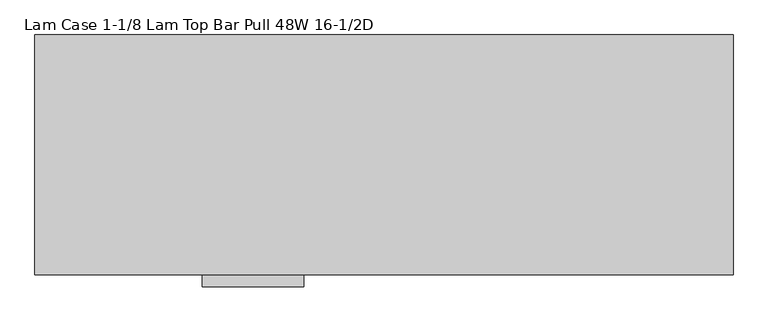
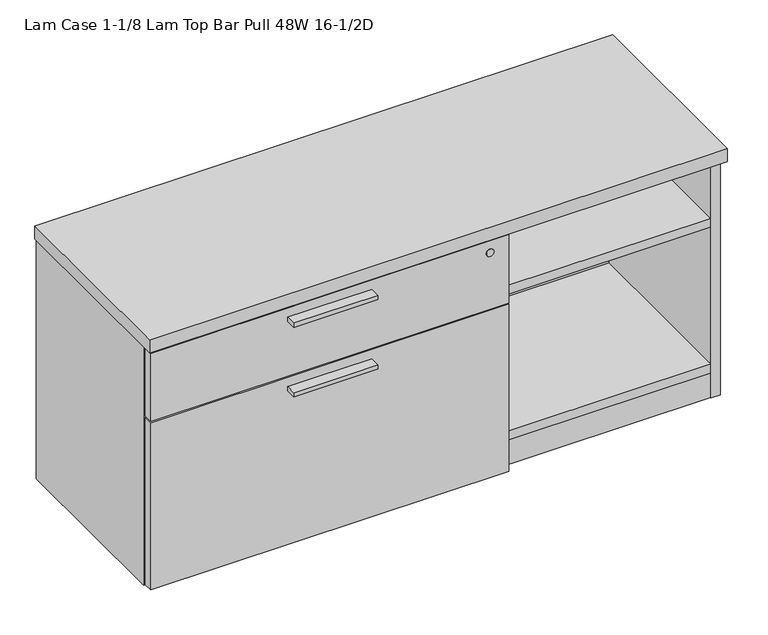
"""IFC4 building model written with IfcOpenShell, lengths in millimetres: furniture geometry, Lam Case 1-1/8 Lam Top Bar Pull 48W 16-1/2D."""

from ifc_helpers import new_model, si_unit, point, frame, frame_2d, origin, origin_with_axes, place, context, project, spatial, polyline, circle_curve, trimmed, segment, composite_curve, outline, extrude, source, transform, mapped, element, save


def lam_case_1_1_8_lam_top_bar_pull_48w_16_1_2d_dfd8d9dc(model_context):
    return source(origin(), model_context, "Body", "SweptSolid", [
        extrude(outline(polyline([(469.8365, -447.8158592), (292.0365, -447.8158592), (292.0365, -425.5908592), (469.8365, -425.5908592), (469.8365, -447.8158592)])), frame((0.0, 0.0, 351.0330729), z_axis=(0.0, 0.0, 1.0), x_axis=(1.0, 0.0, 0.0)), (0.0, 0.0, 1.0), 9.525),
        extrude(outline(polyline([(469.8365, -447.8158592), (292.0365, -447.8158592), (292.0365, -425.5908592), (469.8365, -425.5908592), (469.8365, -447.8158592)])), frame((0.0, 0.0, 506.1508939), z_axis=(0.0, 0.0, 1.0), x_axis=(1.0, 0.0, 0.0)), (0.0, 0.0, 1.0), 9.525),
        extrude(outline(polyline([(1156.8692022, -345.6355984), (1172.81706, -336.4280984), (1188.7649178, -345.6355984), (1188.7649178, -364.0505984), (1172.81706, -373.2580984), (1156.8692022, -364.0505984), (1156.8692022, -345.6355984)])), origin_with_axes(), (0.0, 0.0, 1.0), 9.144),
        extrude(outline(polyline([(1156.8692022, -47.1181713), (1172.81706, -37.9106713), (1188.7649178, -47.1181713), (1188.7649178, -65.5331713), (1172.81706, -74.7406713), (1156.8692022, -65.5331713), (1156.8692022, -47.1181713)])), origin_with_axes(), (0.0, 0.0, 1.0), 9.144),
        extrude(outline(polyline([(30.4350822, -345.6355984), (46.38294, -336.4280984), (62.3307978, -345.6355984), (62.3307978, -364.0505984), (46.38294, -373.2580984), (30.4350822, -364.0505984), (30.4350822, -345.6355984)])), origin_with_axes(), (0.0, 0.0, 1.0), 9.144),
        extrude(outline(polyline([(30.4350822, -47.1181713), (46.38294, -37.9106713), (62.3307978, -47.1181713), (62.3307978, -65.5331713), (46.38294, -74.7406713), (30.4350822, -65.5331713), (30.4350822, -47.1181713)])), origin_with_axes(), (0.0, 0.0, 1.0), 9.144),
        extrude(outline(polyline([(1198.3085154, -401.5878548), (20.8915005, -401.5878548), (20.8915005, -382.2838548), (1198.3085154, -382.2838548), (1198.3085154, -401.5878548)])), frame((0.0, 0.0, 4.699), z_axis=(0.0, 0.0, 1.0), x_axis=(1.0, 0.0, 0.0)), (0.0, 0.0, 1.0), 55.56758),
        extrude(outline(polyline([(1198.3085154, -30.4938704), (1198.3085154, -402.7308447), (20.8915005, -402.7308447), (20.8915005, -30.4938704), (1198.3085154, -30.4938704)])), frame((0.0, 0.0, 520.1843787), z_axis=(0.0, 0.0, 1.0), x_axis=(1.0, 0.0, 0.0)), (0.0, 0.0, 1.0), 19.304),
        extrude(outline(polyline([(760.2855, -30.4938704), (760.2855, -401.5878548), (740.9815, -401.5878548), (740.9815, -30.4938704), (760.2855, -30.4938704)])), frame((0.0, 0.0, 79.57058), z_axis=(0.0, 0.0, 1.0), x_axis=(1.0, 0.0, 0.0)), (0.0, 0.0, 1.0), 440.6137987),
        extrude(outline(polyline([(3.175, -406.2868776), (758.698, -406.2868776), (758.698, -425.5908592), (3.175, -425.5908592), (3.175, -406.2868776)])), frame((0.0, 0.0, 384.3705787), z_axis=(0.0, 0.0, 1.0), x_axis=(1.0, 0.0, 0.0)), (0.0, 0.0, 1.0), 151.9428152),
        extrude(outline(polyline([(3.175, -406.2868776), (758.698, -406.2868776), (758.698, -425.5908592), (3.175, -425.5908592), (3.175, -406.2868776)])), frame((0.0, 0.0, 7.874), z_axis=(0.0, 0.0, 1.0), x_axis=(1.0, 0.0, 0.0)), (0.0, 0.0, 1.0), 373.3215729),
        extrude(outline(polyline([(1198.3085, -30.4938704), (1198.3085, -400.8258374), (760.2855, -400.8258374), (760.2855, -30.4938704), (1198.3085, -30.4938704)])), frame((0.0, 0.0, 384.3705787), z_axis=(0.0, 0.0, 1.0), x_axis=(1.0, 0.0, 0.0)), (0.0, 0.0, 1.0), 19.304),
        extrude(outline(polyline([(1219.2, -8.0783713), (1219.2, -427.1783713), (0.0, -427.1783713), (0.0, -8.0783713), (1219.2, -8.0783713)])), frame((0.0, 0.0, 539.4883818), z_axis=(0.0, 0.0, 1.0), x_axis=(1.0, 0.0, 0.0)), (0.0, 0.0, 1.0), 28.5749969),
        extrude(outline(polyline([(1198.3085154, -30.4938704), (1198.3085154, -402.7308447), (20.8915005, -402.7308447), (20.8915005, -30.4938704), (1198.3085154, -30.4938704)])), frame((0.0, 0.0, 60.26658), z_axis=(0.0, 0.0, 1.0), x_axis=(1.0, 0.0, 0.0)), (0.0, 0.0, 1.0), 19.304),
        extrude(outline(polyline([(1198.3085154, -11.1898712), (1198.3085154, -30.4938704), (20.8915005, -30.4938704), (20.8915005, -11.1898712), (1198.3085154, -11.1898712)])), frame((0.0, 0.0, 4.699), z_axis=(0.0, 0.0, 1.0), x_axis=(1.0, 0.0, 0.0)), (0.0, 0.0, 1.0), 534.7893787),
        extrude(outline(polyline([(20.8915005, -9.6658713), (20.8915005, -403.1118534), (1.5875, -403.1118534), (1.5875, -9.6658713), (20.8915005, -9.6658713)])), frame((0.0, 0.0, 4.699), z_axis=(0.0, 0.0, 1.0), x_axis=(1.0, 0.0, 0.0)), (0.0, 0.0, 1.0), 534.7893787),
        extrude(outline(polyline([(1198.3085154, -9.6658713), (1217.6125158, -9.6658713), (1217.6125158, -403.1118534), (1198.3085154, -403.1118534), (1198.3085154, -9.6658713)])), frame((0.0, 0.0, 4.699), z_axis=(0.0, 0.0, 1.0), x_axis=(1.0, 0.0, 0.0)), (0.0, 0.0, 1.0), 534.7893787),
        extrude(outline(composite_curve([segment(trimmed(circle_curve(frame_2d((510.9133939, 718.693)), 8.001), [point((510.9133939, 726.694))], [point((510.9133939, 710.692))], False, "CARTESIAN"), True, "CONTINUOUS"), segment(trimmed(circle_curve(frame_2d((510.9133939, 718.693)), 8.001), [point((510.9133939, 710.692))], [point((510.9133939, 726.694))], False, "CARTESIAN"), True, "CONTINUOUS")], self_intersect=False)), frame((0.0, -427.1783713, 0.0), z_axis=(0.0, 1.0, 0.0), x_axis=(0.0, 0.0, 1.0)), (0.0, 0.0, 1.0), 1.5875121),
    ])


if __name__ == "__main__":
    model = new_model("IFC4")
    model_context = context("Model", 3, world=origin())
    ifc_project = project(units=[si_unit("LENGTHUNIT", "METRE", prefix="MILLI")], contexts=[model_context])
    site = spatial("IfcSite", under=ifc_project)
    building = spatial("IfcBuilding", under=site)
    placement = place(None, origin())
    lam_case_1_1_8_lam_top_bar_pull_48w_16_1_2d_shape = lam_case_1_1_8_lam_top_bar_pull_48w_16_1_2d_dfd8d9dc(model_context)
    element("IfcFurniture", 1, ObjectType="Lam Case 1-1/8 Lam Top Bar Pull 48W 16-1/2D", at=placement, inside=building, context=model_context, shape_type="MappedRepresentation", body=[
        mapped(lam_case_1_1_8_lam_top_bar_pull_48w_16_1_2d_shape, transform((0.0, 0.0, 0.0), x_axis=(1.0, 0.0, 0.0), y_axis=(0.0, 1.0, 0.0), z_axis=(0.0, 0.0, 1.0))),
    ])
    save(model, "model.ifc")
